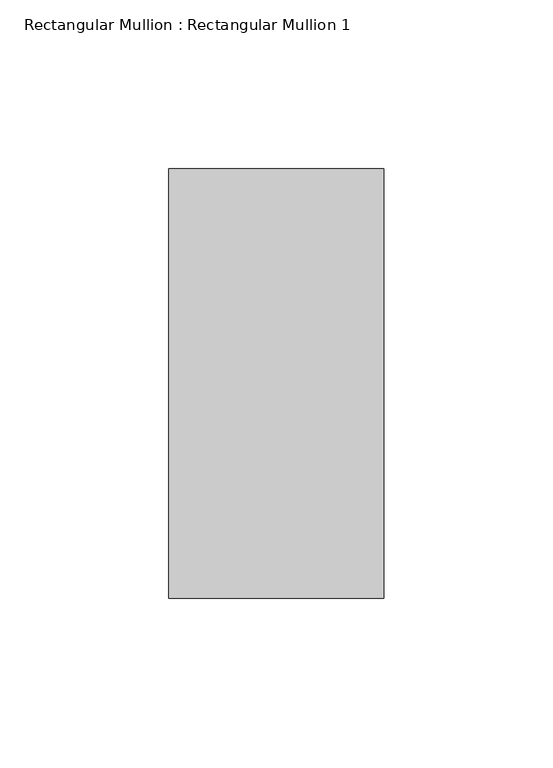
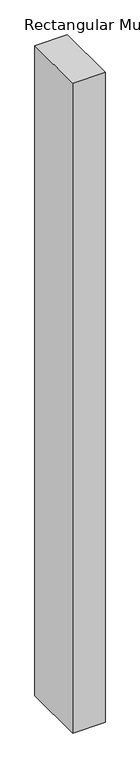
"""IFC4 building model written with IfcOpenShell, lengths in millimetres: member geometry, Rectangular Mullion : Rectangular Mullion 1."""

from ifc_helpers import new_model, si_unit, frame, origin, place, context, project, spatial, polyline, outline, extrude, source, transform, mapped, element, save


def rectangular_mullion_rectangular_mullion_1_69204bcc(model_context):
    return source(origin(), model_context, "Body", "SweptSolid", [
        extrude(outline(polyline([(0.0, 63.5), (0.0, -63.5), (-63.5, -63.5), (-63.5, 63.5), (0.0, 63.5)])), frame((0.0, 0.0, -1339.85), z_axis=(0.0, 0.0, 1.0), x_axis=(1.0, 0.0, 0.0)), (0.0, 0.0, 1.0), 1339.85),
    ])


if __name__ == "__main__":
    model = new_model("IFC4")
    model_context = context("Model", 3, world=origin())
    ifc_project = project(units=[si_unit("LENGTHUNIT", "METRE", prefix="MILLI")], contexts=[model_context])
    site = spatial("IfcSite", under=ifc_project)
    building = spatial("IfcBuilding", under=site)
    placement = place(None, origin())
    rectangular_mullion_rectangular_mullion_1_shape = rectangular_mullion_rectangular_mullion_1_69204bcc(model_context)
    element("IfcMember", 1, ObjectType="Rectangular Mullion : Rectangular Mullion 1", at=placement, inside=building, context=model_context, shape_type="MappedRepresentation", body=[
        mapped(rectangular_mullion_rectangular_mullion_1_shape, transform((0.0, 0.0, 0.0), x_axis=(1.0, 0.0, 0.0), y_axis=(0.0, 1.0, 0.0), z_axis=(0.0, 0.0, 1.0))),
    ])
    save(model, "model.ifc")
